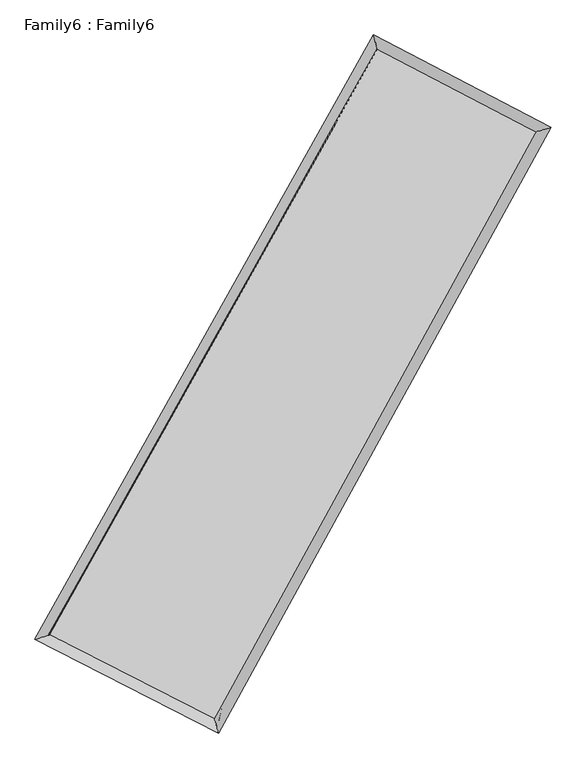
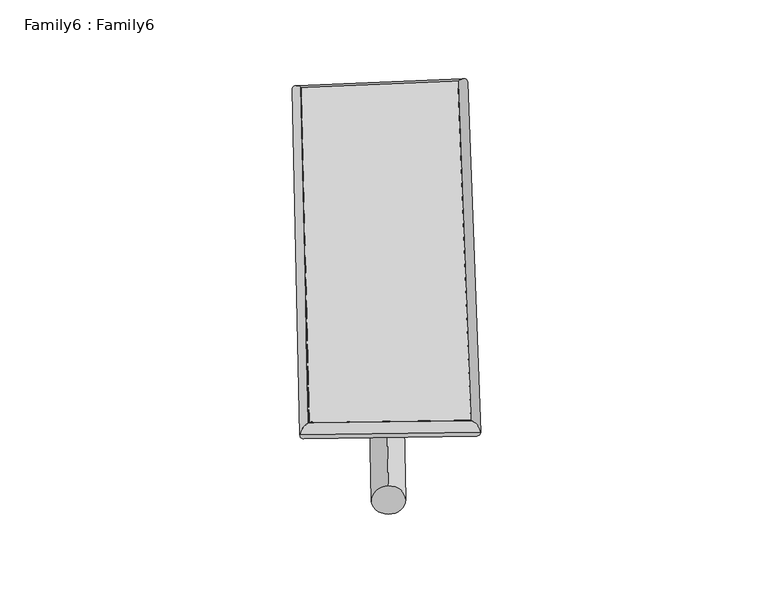
"""IFC4 building model written with IfcOpenShell, lengths in millimetres: plate geometry, Family6 : Family6."""

import ifcopenshell
import ifcopenshell.guid

model = None  # the IFC model being written
_history = None  # IfcOwnerHistory: only IFC2X3 demands one
_inside = {}  # id of a spatial element -> (the spatial element, [elements in it])
_under = {}  # id of a project, library or spatial element -> (it, [spatial elements below it])
_declared = {}  # id of a project -> (the project, [libraries it declares])
_typed = {}  # id of a type object -> (the type object, [elements of that type])
_made_of = {}  # id of a material, layer set ... -> (it, [elements and type objects made of it])


def new_model(schema):
    """Start an empty IFC model of exactly this schema.

    Asked for "IFC4X3", IfcOpenShell would pick the latest addendum, in which some entities
    have other attributes; the version numbers below select the first issue.
    IFC2X3 requires an IfcOwnerHistory on every rooted entity: one is made here for all.
    """
    global model, _history
    if schema == "IFC4X3":
        model = ifcopenshell.file(schema_version=(4, 3, 0, 0))
    else:
        model = ifcopenshell.file(schema=schema)
    _inside.clear()
    _under.clear()
    _declared.clear()
    _typed.clear()
    _made_of.clear()
    _history = None
    if model.schema == "IFC2X3":
        org = make("IfcOrganization", Name="unknown")
        user = make(
            "IfcPersonAndOrganization",
            ThePerson=make("IfcPerson", FamilyName="unknown"),
            TheOrganization=org,
        )
        app = make(
            "IfcApplication",
            ApplicationDeveloper=org,
            Version="unknown",
            ApplicationFullName="unknown",
            ApplicationIdentifier="unknown",
        )
        _history = make(
            "IfcOwnerHistory",
            OwningUser=user,
            OwningApplication=app,
            ChangeAction="ADDED",
            CreationDate=0,
        )
    return model


def make(cls, **values):
    """One entity of the class cls with the attributes given. An attribute that is None is left unset."""
    return model.create_entity(
        cls, **{name: value for name, value in values.items() if value is not None}
    )


def rooted(cls, **values):
    """An entity with a GlobalId (a new one), such as an element, a storey or a relation."""
    return make(cls, GlobalId=ifcopenshell.guid.new(), OwnerHistory=_history, **values)


def si_unit(unit_type, name, prefix=None):
    """IfcSIUnit, for example si_unit("LENGTHUNIT", "METRE", prefix="MILLI")."""
    return make("IfcSIUnit", UnitType=unit_type, Prefix=prefix, Name=name)


def assignment(units):
    """IfcUnitAssignment: the units of a project."""
    return None if units is None else make("IfcUnitAssignment", Units=units)


def point(xyz):
    """IfcCartesianPoint."""
    return None if xyz is None else make("IfcCartesianPoint", Coordinates=xyz)


def direction(xyz):
    """IfcDirection."""
    return None if xyz is None else make("IfcDirection", DirectionRatios=xyz)


def frame(location, z_axis=None, x_axis=None):
    """IfcAxis2Placement3D, a coordinate frame: its origin and axes. An axis left out is left unset."""
    return make(
        "IfcAxis2Placement3D",
        Location=point(location),
        Axis=direction(z_axis),
        RefDirection=direction(x_axis),
    )


def frame_2d(location, x_axis=None):
    """IfcAxis2Placement2D, a coordinate frame in the plane: its origin and x axis."""
    return make(
        "IfcAxis2Placement2D", Location=point(location), RefDirection=direction(x_axis)
    )


def origin():
    """The frame at (0, 0, 0) with its axes left unset."""
    return frame((0.0, 0.0, 0.0))


def origin_2d():
    """The frame at (0, 0) in the plane with its x axis left unset."""
    return frame_2d((0.0, 0.0))


def place(relative_to, where):
    """IfcLocalPlacement: puts the frame where relative to a parent placement (None: the world)."""
    return make(
        "IfcLocalPlacement", PlacementRelTo=relative_to, RelativePlacement=where
    )


def context(
    kind, dimensions, precision=None, world=None, true_north=None, identifier=None
):
    """IfcGeometricRepresentationContext, for example the 3D "Model" context."""
    return make(
        "IfcGeometricRepresentationContext",
        ContextIdentifier=identifier,
        ContextType=kind,
        CoordinateSpaceDimension=dimensions,
        Precision=precision,
        WorldCoordinateSystem=world,
        TrueNorth=true_north,
    )


def project(units=None, contexts=None):
    """IfcProject with its units and contexts."""
    return rooted(
        "IfcProject",
        Name="project",
        RepresentationContexts=contexts,
        UnitsInContext=assignment(units),
    )


def spatial(cls, under=None, at=None, **own):
    """A site, building, storey or space (cls), placed at a placement, below another one or the project."""
    s = rooted(cls, ObjectPlacement=at, **own)
    if under is not None:
        _under.setdefault(under.id(), (under, []))[1].append(s)
    return s


def circle_curve(where, radius):
    """IfcCircle in the frame where."""
    return make("IfcCircle", Position=where, Radius=radius)


def ellipse_curve(where, semi_axis1, semi_axis2):
    """IfcEllipse in the frame where."""
    return make(
        "IfcEllipse", Position=where, SemiAxis1=semi_axis1, SemiAxis2=semi_axis2
    )


def trimmed(basis, trim1, trim2, sense, master):
    """IfcTrimmedCurve: the piece of a basis curve between two trims."""
    return make(
        "IfcTrimmedCurve",
        BasisCurve=basis,
        Trim1=trim1,
        Trim2=trim2,
        SenseAgreement=sense,
        MasterRepresentation=master,
    )


def segment(curve, same_sense, transition):
    """IfcCompositeCurveSegment."""
    return make(
        "IfcCompositeCurveSegment",
        Transition=transition,
        SameSense=same_sense,
        ParentCurve=curve,
    )


def composite_curve(segments, self_intersect=None):
    """IfcCompositeCurve: segments joined end to end."""
    return make("IfcCompositeCurve", Segments=segments, SelfIntersect=self_intersect)


def outline(outer, holes=None, kind="AREA"):
    """IfcArbitraryClosedProfileDef: a profile drawn as a closed curve; with holes, ...WithVoids."""
    if holes is None:
        return make("IfcArbitraryClosedProfileDef", ProfileType=kind, OuterCurve=outer)
    return make(
        "IfcArbitraryProfileDefWithVoids",
        ProfileType=kind,
        OuterCurve=outer,
        InnerCurves=holes,
    )


def extrude(swept, where, along, depth):
    """IfcExtrudedAreaSolid: the profile swept, set in the frame where, extruded along a direction by depth."""
    return make(
        "IfcExtrudedAreaSolid",
        SweptArea=swept,
        Position=where,
        ExtrudedDirection=direction(along),
        Depth=depth,
    )


def shape(context_of_items, identifier, shape_type, items):
    """IfcShapeRepresentation: the items that make up one representation, for example the "Body"."""
    return make(
        "IfcShapeRepresentation",
        ContextOfItems=context_of_items,
        RepresentationIdentifier=identifier,
        RepresentationType=shape_type,
        Items=items,
    )


def source(mapping_origin, context_of_items, identifier, shape_type, items):
    """IfcRepresentationMap: a shape defined once, which mapped items show again and again."""
    return make(
        "IfcRepresentationMap",
        MappingOrigin=mapping_origin,
        MappedRepresentation=shape(context_of_items, identifier, shape_type, items),
    )


def transform(
    local_origin,
    x_axis=None,
    y_axis=None,
    z_axis=None,
    scale=None,
    scale2=None,
    scale3=None,
    uniform=True,
):
    """IfcCartesianTransformationOperator3D, or its non-uniform kind. x_axis, y_axis, z_axis: its Axis1, 2, 3."""
    if uniform:
        return make(
            "IfcCartesianTransformationOperator3D",
            Axis1=direction(x_axis),
            Axis2=direction(y_axis),
            LocalOrigin=point(local_origin),
            Scale=scale,
            Axis3=direction(z_axis),
        )
    return make(
        "IfcCartesianTransformationOperator3DnonUniform",
        Axis1=direction(x_axis),
        Axis2=direction(y_axis),
        LocalOrigin=point(local_origin),
        Scale=scale,
        Axis3=direction(z_axis),
        Scale2=scale2,
        Scale3=scale3,
    )


def mapped(mapping_source, mapping_target):
    """IfcMappedItem: shows the shape of a source again, moved by a transform."""
    return make(
        "IfcMappedItem", MappingSource=mapping_source, MappingTarget=mapping_target
    )


def made_of(thing, what):
    """Note that an element or type object is made of a material, layer set ...; save() writes the relation."""
    if what is not None:
        _made_of.setdefault(what.id(), (what, []))[1].append(thing)
    return thing


def element(
    cls,
    number,
    at=None,
    inside=None,
    cuts=None,
    type_object=None,
    material=None,
    context=None,
    identifier="Body",
    shape_type=None,
    held_by="IfcProductDefinitionShape",
    body=None,
    shapes=None,
    **own,
):
    """One element of the class cls, such as IfcWall. Its Tag is "e" and its number.

    at: its placement. inside: the storey or other place that contains it. cuts: it is an
    opening in that element (IfcRelVoidsElement). A single representation is given by context,
    identifier, shape_type and body (its items); several are given by shapes. held_by: the class
    of the entity that holds the representations. save() writes the other relations.
    """
    e = rooted(cls, Tag="e%d" % number, ObjectPlacement=at, **own)
    if body is not None:
        shapes = [shape(context, identifier, shape_type, body)]
    if shapes is not None:
        e.Representation = make(held_by, Representations=shapes)
    if inside is not None:
        _inside.setdefault(inside.id(), (inside, []))[1].append(e)
    if cuts is not None:
        rooted(
            "IfcRelVoidsElement", RelatingBuildingElement=cuts, RelatedOpeningElement=e
        )
    if type_object is not None:
        _typed.setdefault(type_object.id(), (type_object, []))[1].append(e)
    return made_of(e, material)


def aggregate(whole, parts):
    """IfcRelAggregates: a whole, such as a stair, and the parts it consists of."""
    return rooted("IfcRelAggregates", RelatingObject=whole, RelatedObjects=parts)


def save(model, path):
    """Write the relations noted so far, then the file.

    IfcRelAggregates (storeys below a building ...), IfcRelContainedInSpatialStructure (elements
    in a storey), IfcRelDefinesByType, IfcRelAssociatesMaterial and IfcRelDeclares: one each for
    every whole, place, type object, material and project.
    """
    for whole, parts in _under.values():
        aggregate(whole, parts)
    for where, things in _inside.values():
        rooted(
            "IfcRelContainedInSpatialStructure",
            RelatedElements=things,
            RelatingStructure=where,
        )
    for kind, things in _typed.values():
        rooted("IfcRelDefinesByType", RelatedObjects=things, RelatingType=kind)
    for what, things in _made_of.values():
        rooted("IfcRelAssociatesMaterial", RelatedObjects=things, RelatingMaterial=what)
    for by, libraries in _declared.values():
        rooted("IfcRelDeclares", RelatingContext=by, RelatedDefinitions=libraries)
    model.write(path)


def plane_surface(at):
    """IfcPlane: the flat surface through the origin of the frame at, square to its z axis."""
    return make("IfcPlane", Position=at)


def cylinder_surface(at, radius):
    """IfcCylindricalSurface: all points at the distance radius from the z axis of the frame at."""
    return make("IfcCylindricalSurface", Position=at, Radius=radius)


def spline_surface(u_degree, v_degree, points, u_multiplicities, v_multiplicities, u_knots, v_knots, weights=None):
    """IfcBSplineSurfaceWithKnots; with weights, IfcRationalBSplineSurfaceWithKnots. points: one row for each step in u."""
    own = dict(
        UDegree=u_degree,
        VDegree=v_degree,
        ControlPointsList=[[point(p) for p in row] for row in points],
        SurfaceForm="UNSPECIFIED",
        UClosed=False,
        VClosed=False,
        SelfIntersect=False,
        UMultiplicities=u_multiplicities,
        VMultiplicities=v_multiplicities,
        UKnots=u_knots,
        VKnots=v_knots,
        KnotSpec="UNSPECIFIED",
    )
    if weights is None:
        return make("IfcBSplineSurfaceWithKnots", **own)
    return make("IfcRationalBSplineSurfaceWithKnots", WeightsData=weights, **own)


def advanced_brep(points, edges, surfaces, faces):
    """IfcAdvancedBrep: a solid bounded by faces that lie on surfaces and meet in shared edges.

    An edge is (start, end): straight between two places in points (the first is 0);
    or (start, end, curve); or (start, end, curve, False) where it runs against its curve.
    A face is (place in surfaces, loops), or (place, loops, False) where it looks against
    its surface's normal. A loop lists edges by number (the first is 1), with a minus sign
    where the edge is run from its end to its start. The first loop is the outer one.
    """
    corners = [point(p) for p in points]
    vertices = [make("IfcVertexPoint", VertexGeometry=c) for c in corners]
    made = []
    for start, end, *more in edges:
        made.append(
            make(
                "IfcEdgeCurve",
                EdgeStart=vertices[start],
                EdgeEnd=vertices[end],
                EdgeGeometry=more[0] if more else make("IfcPolyline", Points=[corners[start], corners[end]]),
                SameSense=more[1] if len(more) > 1 else True,
            )
        )
    hull = []
    for where, loops, *sense in faces:
        bounds = []
        for j, loop in enumerate(loops):
            ring = [make("IfcOrientedEdge", EdgeElement=made[abs(k) - 1], Orientation=k > 0) for k in loop]
            bounds.append(
                make(
                    "IfcFaceOuterBound" if j == 0 else "IfcFaceBound",
                    Bound=make("IfcEdgeLoop", EdgeList=ring),
                    Orientation=True,
                )
            )
        hull.append(make("IfcAdvancedFace", Bounds=bounds, FaceSurface=surfaces[where], SameSense=sense[0] if sense else True))
    return make("IfcAdvancedBrep", Outer=make("IfcClosedShell", CfsFaces=hull))


def family6_family6_8050f15a(model_context):
    return source(origin(), model_context, "Body", "SolidModel", [
        extrude(outline(composite_curve([segment(trimmed(circle_curve(origin_2d(), 76.2), [point((-75.4341514, -10.7763074))], [point((75.4341514, 10.7763074))], False, "CARTESIAN"), True, "CONTINUOUS"), segment(trimmed(circle_curve(origin_2d(), 76.2), [point((75.4341514, 10.7763074))], [point((-75.4341514, -10.7763074))], False, "CARTESIAN"), True, "CONTINUOUS")], self_intersect=False)), frame((9144.0, 9144.0, 0.0), z_axis=(0.6674225178551109, 0.692149135897957, 0.27473033384694834), x_axis=(-0.6840255337473947, 0.7156527290846996, -0.1412453204011142)), (0.0, 0.0, 1.0), 5647.1178838),
        extrude(outline(composite_curve([segment(trimmed(circle_curve(origin_2d(), 76.2), [point((-53.8815367, 53.8815368))], [point((53.8815367, -53.8815368))], False, "CARTESIAN"), True, "CONTINUOUS"), segment(trimmed(circle_curve(origin_2d(), 76.2), [point((53.8815367, -53.8815368))], [point((-53.8815367, 53.8815368))], False, "CARTESIAN"), True, "CONTINUOUS")], self_intersect=False)), frame((9144.0, 9144.0, 0.0), z_axis=(-0.6728704604475524, -0.6873686815279414, 0.27344037578901653), x_axis=(0.6417502479214681, -0.35851943011894405, 0.6779531233941783)), (0.0, 0.0, 1.0), 5672.0523078),
        extrude(outline(composite_curve([segment(trimmed(circle_curve(origin_2d(), 76.2), [point((-53.8815368, -53.8815367))], [point((53.8815368, 53.8815367))], False, "CARTESIAN"), True, "CONTINUOUS"), segment(trimmed(circle_curve(origin_2d(), 76.2), [point((53.8815368, 53.8815367))], [point((-53.8815368, -53.8815367))], False, "CARTESIAN"), True, "CONTINUOUS")], self_intersect=False)), frame((9144.0, 9144.0, 0.0), z_axis=(0.2306940822239535, 0.9352261009892943, 0.2685747204321553), x_axis=(-0.8469003282128087, 0.3288986721217121, -0.4178342943675299)), (0.0, 0.0, 1.0), 5563.5534854),
        extrude(outline(composite_curve([segment(trimmed(circle_curve(origin_2d(), 76.2), [point((-75.4341514, 10.7763073))], [point((75.4341514, -10.7763073))], False, "CARTESIAN"), True, "CONTINUOUS"), segment(trimmed(circle_curve(origin_2d(), 76.2), [point((75.4341514, -10.7763073))], [point((-75.4341514, 10.7763073))], False, "CARTESIAN"), True, "CONTINUOUS")], self_intersect=False)), frame((9144.0, 9144.0, 0.0), z_axis=(-0.2229008280589031, -0.9370612468038793, 0.2687590753612145), x_axis=(0.8933955750495414, -0.08604357117353123, 0.440954476495709)), (0.0, 0.0, 1.0), 5562.5064847),
        advanced_brep(
        [(5117.156109, 5181.5323459, 1547.070176), (5117.0655071, 5181.4124202, 1555.8830766), (5537.730995, 5308.8854214, 1554.8660531), (10488.1220035, 14143.7885846, 1499.7925651), (10366.8357269, 14550.5722829, 1488.6670788), (5537.8215969, 5309.0053471, 1546.0531525), (12704.4492956, 12989.4663356, 1550.8014954), (13121.5779777, 13115.8291916, 1552.0676676), (7841.6623752, 4134.4785147, 1495.988015), (7966.5630218, 3728.7029615, 1493.9601841)],
        [
            (0, 1, ellipse_curve(frame((5327.443552, 5245.2088836, 1550.9681145), z_axis=(-0.289967644132192, 0.9569837680596165, 0.010041564959946257), x_axis=(-0.9568403935777845, -0.29010465288094095, 0.01719742988761293)), 219.8964707, 152.4)),
            (1, 2, ellipse_curve(frame((5327.443552, 5245.2088836, 1550.9681145), z_axis=(-0.289967644132192, 0.9569837680596165, 0.010041564959946257), x_axis=(-0.9568403935777845, -0.29010465288094095, 0.01719742988761293)), 219.8964707, 152.4)),
            (2, 3),
            (3, 4, ellipse_curve(frame((10427.4788652, 14347.1804338, 1494.2298219), z_axis=(-0.9581802195639421, -0.28597539132547306, -0.01042796205585343), x_axis=(0.2857561930523417, -0.958122589716336, 0.018560743721476605)), 212.3187597, 152.4)),
            (4, 0),
            (2, 5, ellipse_curve(frame((5327.443552, 5245.2088836, 1550.9681145), z_axis=(-0.289967644132192, 0.9569837680596165, 0.010041564959946257), x_axis=(-0.9568403935777845, -0.29010465288094095, 0.01719742988761293)), 219.8964707, 152.4)),
            (5, 0, ellipse_curve(frame((5327.443552, 5245.2088836, 1550.9681145), z_axis=(-0.289967644132192, 0.9569837680596165, 0.010041564959946257), x_axis=(-0.9568403935777845, -0.29010465288094095, 0.01719742988761293)), 219.8964707, 152.4)),
            (4, 3, ellipse_curve(frame((10427.4788652, 14347.1804338, 1494.2298219), z_axis=(-0.9581802195639421, -0.28597539132547306, -0.01042796205585343), x_axis=(0.2857561930523417, -0.958122589716336, 0.018560743721476605)), 212.3187597, 152.4)),
            (3, 6),
            (6, 7, ellipse_curve(frame((12913.0136366, 13052.6477636, 1551.4345815), z_axis=(-0.2898773852805366, 0.957003826700125, -0.010713411419187129), x_axis=(-0.9568463763677051, -0.29003196569417783, -0.01806850595824806)), 217.9513567, 152.4)),
            (7, 4),
            (7, 6, ellipse_curve(frame((12913.0136366, 13052.6477636, 1551.4345815), z_axis=(-0.2898773852805366, 0.957003826700125, -0.010713411419187129), x_axis=(-0.9568463763677051, -0.29003196569417783, -0.01806850595824806)), 217.9513567, 152.4)),
            (6, 8),
            (8, 9, ellipse_curve(frame((7904.1126985, 3931.5907381, 1494.9740995), z_axis=(0.9556895019860941, 0.29421662401813303, -0.00970329557129516), x_axis=(-0.29401879795482216, 0.9556339065027363, 0.017798404184667993)), 212.3009892, 152.4)),
            (9, 7),
            (9, 8, ellipse_curve(frame((7904.1126985, 3931.5907381, 1494.9740995), z_axis=(0.9556895019860941, 0.29421662401813303, -0.00970329557129516), x_axis=(-0.29401879795482216, 0.9556339065027363, 0.017798404184667993)), 212.3009892, 152.4)),
            (8, 5),
            (1, 9),
        ],
        [
            cylinder_surface(frame((5327.443552, 5245.2088836, 1550.9681145), z_axis=(-0.4888100025876192, -0.8723733197358474, 0.005438049590504269), x_axis=(-0.8720437865620431, 0.4884307048860021, -0.031226284490746558)), 152.4),
            cylinder_surface(frame((10427.4788652, 14347.1804338, 1494.2298219), z_axis=(-0.886731806957281, 0.4618335285385596, -0.02040819560614842), x_axis=(0.46216768977862904, 0.8866351775593172, -0.016705940232234918)), 152.4),
            cylinder_surface(frame((12913.0136366, 13052.6477636, 1551.4345815), z_axis=(0.48134489681726417, 0.8765144903063056, 0.005425734148936385), x_axis=(0.8765301782166345, -0.48134489681726417, -0.0013917555433591827)), 152.4),
            cylinder_surface(frame((7904.1126985, 3931.5907381, 1494.9740995), z_axis=(0.890736134754081, -0.45410841788498024, -0.019356731370770524), x_axis=(-0.4539511651462751, -0.890944173935871, 0.012116872206464076)), 152.4),
        ],
        [
            (0, [[1, 2, 3, 4, 5]]),
            (0, [[6, 7, -5, 8, -3]]),
            (1, [[-4, 9, 10, 11]]),
            (1, [[-8, -11, 12, -9]]),
            (2, [[-10, 13, 14, 15]]),
            (2, [[-12, -15, 16, -13]]),
            (3, [[-14, 17, -6, -2, 18]]),
            (3, [[-16, -18, -1, -7, -17]]),
        ],
    ),
        extrude(outline(composite_curve([segment(trimmed(circle_curve(origin_2d(), 304.8), [point((0.0, -304.8))], [point((0.0, 304.8))], False, "CARTESIAN"), True, "CONTINUOUS"), segment(trimmed(circle_curve(origin_2d(), 304.8), [point((0.0, 304.8))], [point((0.0, -304.8))], False, "CARTESIAN"), True, "CONTINUOUS")], self_intersect=False)), frame((6580.0720446, 4583.1541845, -0.0369421), z_axis=(0.49003649803519084, 0.8717019161063911, 7.060643958722776e-06), x_axis=(-0.8717019161330262, 0.4900364980351908, 1.848570656273861e-06)), (0.0, 0.0, 1.0), 10464.2326264),
        advanced_brep(
        [(5327.443552, 5245.2088836, 1550.9681145), (7904.1126985, 3931.5907381, 1494.9740995), (7904.1271542, 3931.5861683, 1647.3740988), (5327.4580077, 5245.2043139, 1703.3681138), (12913.0136366, 13052.6477636, 1551.4345815), (12913.0280924, 13052.6431938, 1703.8345807), (10427.4788652, 14347.1804338, 1494.2298219), (10427.4933209, 14347.175864, 1646.6298212)],
        [
            (0, 1),
            (1, 2),
            (2, 3),
            (3, 0),
            (1, 4),
            (4, 5),
            (5, 2),
            (4, 6),
            (6, 7),
            (7, 5),
            (6, 0),
            (3, 7),
        ],
        [
            plane_surface(frame((6615.7781252, 4588.3998109, 1522.971107), z_axis=(-0.45419323278520685, -0.8909031973363976, 1.636787432050292e-05), x_axis=(0.8907361347540809, -0.45410841788498035, -0.019356731370770517))),
            plane_surface(frame((10408.5631676, 8492.1192508, 1523.2043405), z_axis=(0.8765276429348667, -0.4813515156827219, -9.757557970554867e-05), x_axis=(0.4813448968172645, 0.8765144903063055, 0.0054257341489363925))),
            plane_surface(frame((11670.2462509, 13699.9140987, 1522.8322017), z_axis=(0.46193004584969455, 0.8869163615836199, -1.722128803005596e-05), x_axis=(-0.8867318069572808, 0.46183352853855997, -0.020408195606148424))),
            plane_surface(frame((7877.4612086, 9796.1946587, 1522.5989682), z_axis=(-0.8723859560310637, 0.48881769017878374, 9.740660109730471e-05), x_axis=(-0.48881000258761953, -0.8723733197358472, 0.005438049590504267))),
            spline_surface(1, 1, [[(7904.1271542, 3931.5861683, 1647.3740988), (5327.4580077, 5245.2043139, 1703.3681138)], [(12913.0280924, 13052.6431938, 1703.8345807), (10427.4933209, 14347.175864, 1646.6298212)]], [2, 2], [2, 2], [0.0, 1.0], [0.0, 1.0]),
            spline_surface(1, 1, [[(10427.4788652, 14347.1804338, 1494.2298219), (5327.443552, 5245.2088836, 1550.9681145)], [(12913.0136366, 13052.6477636, 1551.4345815), (7904.1126985, 3931.5907381, 1494.9740995)]], [2, 2], [2, 2], [0.0, 1.0], [0.0, 1.0]),
        ],
        [
            (0, [[1, 2, 3, 4]]),
            (1, [[5, 6, 7, -2]]),
            (2, [[8, 9, 10, -6]]),
            (3, [[11, -4, 12, -9]]),
            (4, [[-3, -7, -10, -12]]),
            (5, [[-11, -8, -5, -1]]),
        ],
    ),
    ])


if __name__ == "__main__":
    model = new_model("IFC4")
    model_context = context("Model", 3, world=origin())
    ifc_project = project(units=[si_unit("LENGTHUNIT", "METRE", prefix="MILLI")], contexts=[model_context])
    site = spatial("IfcSite", under=ifc_project)
    building = spatial("IfcBuilding", under=site)
    placement = place(None, origin())
    family6_family6_shape = family6_family6_8050f15a(model_context)
    element("IfcPlate", 1, ObjectType="Family6 : Family6", at=placement, inside=building, context=model_context, shape_type="MappedRepresentation", body=[
        mapped(family6_family6_shape, transform((0.0, 0.0, 0.0), x_axis=(1.0, 0.0, 0.0), y_axis=(0.0, 1.0, 0.0), z_axis=(0.0, 0.0, 1.0))),
    ])
    save(model, "model.ifc")
